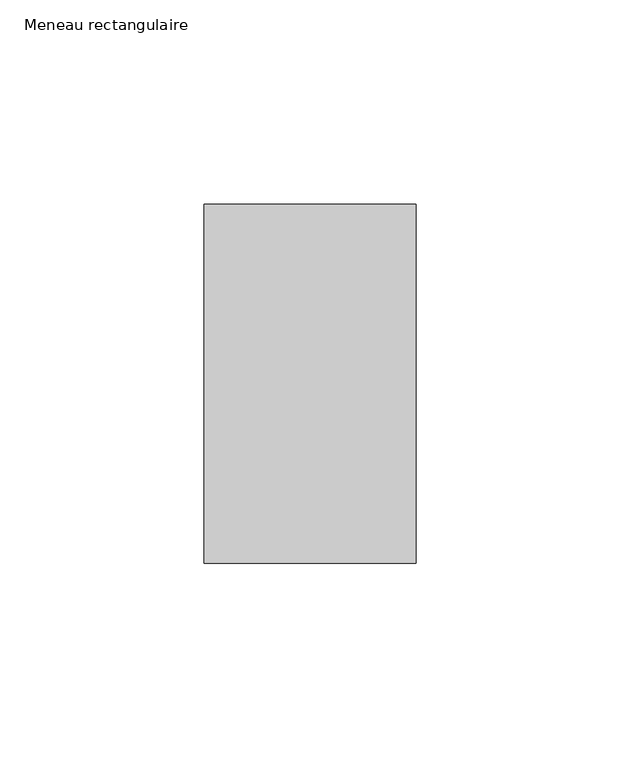
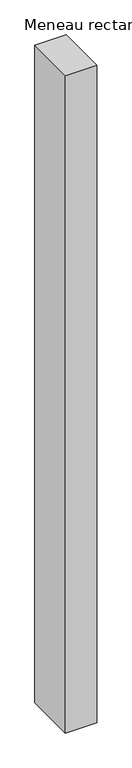
"""IFC4 building model written with IfcOpenShell, lengths in millimetres: member geometry, Meneau rectangulaire."""

from ifc_helpers import new_model, si_unit, frame, origin, place, context, project, spatial, polyline, outline, extrude, source, transform, mapped, element, save


def meneau_rectangulaire_92990e88(model_context):
    return source(origin(), model_context, "Body", "SweptSolid", [
        extrude(outline(polyline([(-52.0, 44.0), (0.0, 44.0), (0.0, -44.0), (-52.0, -44.0), (-52.0, 44.0)])), frame((0.0, 0.0, -1158.4285716), z_axis=(0.0, 0.0, 1.0), x_axis=(1.0, 0.0, 0.0)), (0.0, 0.0, 1.0), 1158.4285716),
    ])


if __name__ == "__main__":
    model = new_model("IFC4")
    model_context = context("Model", 3, world=origin())
    ifc_project = project(units=[si_unit("LENGTHUNIT", "METRE", prefix="MILLI")], contexts=[model_context])
    site = spatial("IfcSite", under=ifc_project)
    building = spatial("IfcBuilding", under=site)
    placement = place(None, origin())
    meneau_rectangulaire_shape = meneau_rectangulaire_92990e88(model_context)
    element("IfcMember", 1, ObjectType="Meneau rectangulaire", at=placement, inside=building, context=model_context, shape_type="MappedRepresentation", body=[
        mapped(meneau_rectangulaire_shape, transform((0.0, 0.0, 0.0), x_axis=(1.0, 0.0, 0.0), y_axis=(0.0, 1.0, 0.0), z_axis=(0.0, 0.0, 1.0))),
    ])
    save(model, "model.ifc")
